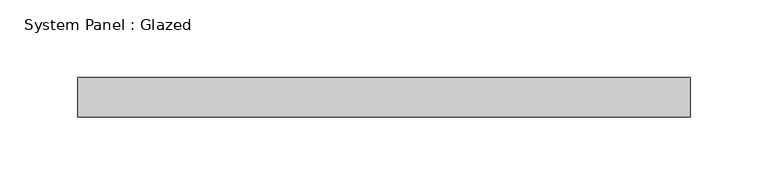
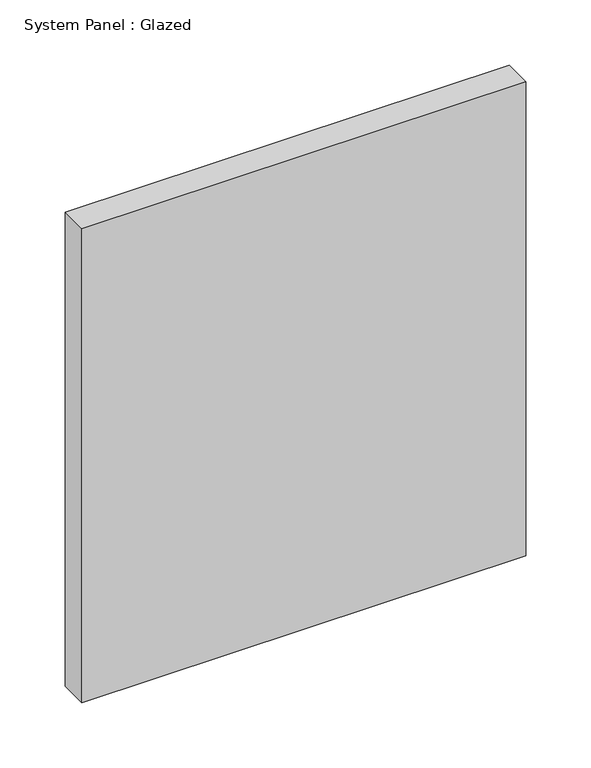
"""IFC4 building model written with IfcOpenShell, lengths in millimetres: plate geometry, System Panel : Glazed."""

from ifc_helpers import new_model, si_unit, origin, origin_with_axes, place, context, project, spatial, polyline, outline, extrude, source, transform, mapped, element, save


def system_panel_glazed_15a7e07c(model_context):
    return source(origin(), model_context, "Body", "SweptSolid", [
        extrude(outline(polyline([(196.85, 19.05), (-196.85, 19.05), (-196.85, 44.45), (196.85, 44.45), (196.85, 19.05)])), origin_with_axes(), (0.0, 0.0, 1.0), 444.5),
    ])


if __name__ == "__main__":
    model = new_model("IFC4")
    model_context = context("Model", 3, world=origin())
    ifc_project = project(units=[si_unit("LENGTHUNIT", "METRE", prefix="MILLI")], contexts=[model_context])
    site = spatial("IfcSite", under=ifc_project)
    building = spatial("IfcBuilding", under=site)
    placement = place(None, origin())
    system_panel_glazed_shape = system_panel_glazed_15a7e07c(model_context)
    element("IfcPlate", 1, ObjectType="System Panel : Glazed", at=placement, inside=building, context=model_context, shape_type="MappedRepresentation", body=[
        mapped(system_panel_glazed_shape, transform((0.0, 0.0, 0.0), x_axis=(1.0, 0.0, 0.0), y_axis=(0.0, 1.0, 0.0), z_axis=(0.0, 0.0, 1.0))),
    ])
    save(model, "model.ifc")
